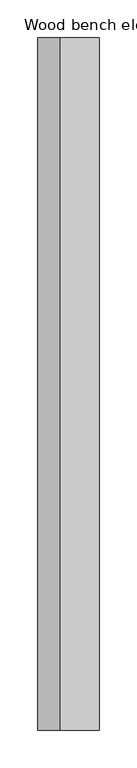
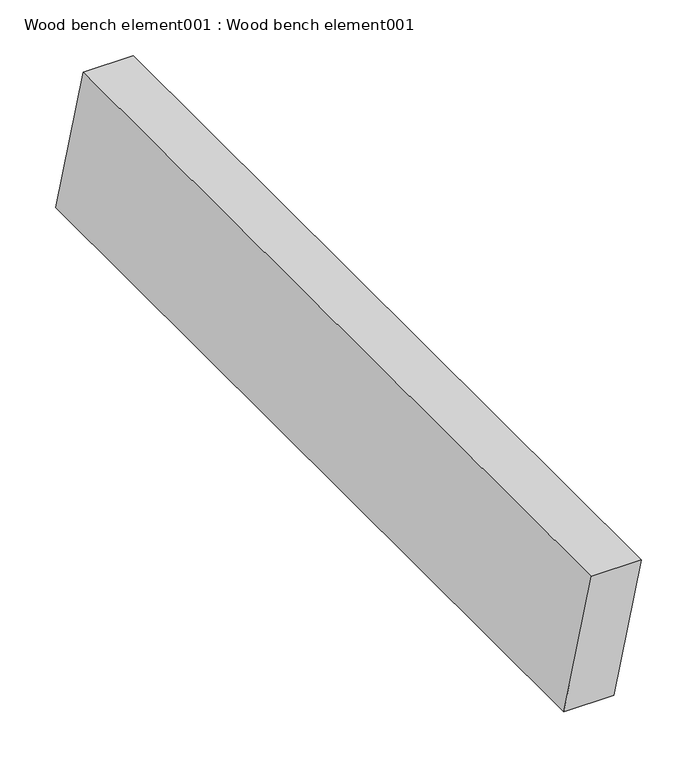
"""IFC4 building model written with IfcOpenShell, lengths in millimetres: proxy geometry, Wood bench element001 : Wood bench element001."""

from ifc_helpers import new_model, si_unit, frame, origin, place, context, project, spatial, polyline, outline, extrude, source, transform, mapped, element, save


def wood_bench_element001_wood_bench_element001_d682ee9a(model_context):
    return source(origin(), model_context, "Body", "SweptSolid", [
        extrude(outline(polyline([(616.9562768, 38180.6933208), (616.9562768, 38128.8025996), (478.1205369, 38099.8784872), (478.1205369, 38151.7692083), (616.9562768, 38180.6933208)])), frame((0.0, -19576.8264268, 0.0), z_axis=(0.0, 1.0, 0.0), x_axis=(0.0, 0.0, 1.0)), (0.0, 0.0, 1.0), 914.4),
    ])


if __name__ == "__main__":
    model = new_model("IFC4")
    model_context = context("Model", 3, world=origin())
    ifc_project = project(units=[si_unit("LENGTHUNIT", "METRE", prefix="MILLI")], contexts=[model_context])
    site = spatial("IfcSite", under=ifc_project)
    building = spatial("IfcBuilding", under=site)
    placement = place(None, origin())
    wood_bench_element001_wood_bench_element001_shape = wood_bench_element001_wood_bench_element001_d682ee9a(model_context)
    element("IfcBuildingElementProxy", 1, Name="Wood bench element001 : Wood bench element001", ObjectType="Wood bench element001 : Wood bench element001", at=placement, inside=building, context=model_context, shape_type="MappedRepresentation", body=[
        mapped(wood_bench_element001_wood_bench_element001_shape, transform((0.0, 0.0, 0.0), x_axis=(1.0, 0.0, 0.0), y_axis=(0.0, 1.0, 0.0), z_axis=(0.0, 0.0, 1.0))),
    ])
    save(model, "model.ifc")
